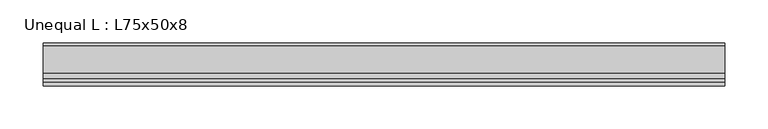
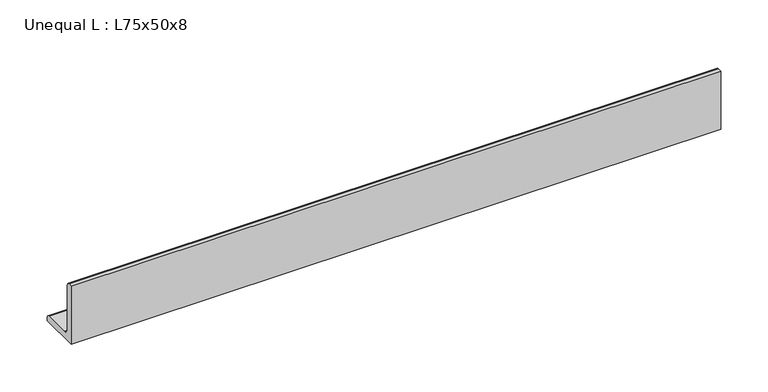
"""IFC4 building model written with IfcOpenShell, lengths in millimetres: beam geometry, Unequal L : L75x50x8."""

from ifc_helpers import new_model, si_unit, point, frame, frame_2d, origin, place, context, project, spatial, polyline, circle_curve, trimmed, segment, composite_curve, outline, extrude, source, transform, mapped, element, save


def unequal_l_l75x50x8_9cb91682(model_context):
    return source(origin(), model_context, "Body", "SweptSolid", [
        extrude(outline(composite_curve([segment(polyline([(-12.9, -25.2), (-12.9, 49.8), (-8.4, 49.8)]), True, "CONTINUOUS"), segment(trimmed(circle_curve(frame_2d((-8.4, 46.3)), 3.5), [point((-8.4, 49.8))], [point((-4.9, 46.3))], False, "CARTESIAN"), True, "CONTINUOUS"), segment(polyline([(-4.9, 46.3), (-4.9, -10.2)]), True, "CONTINUOUS"), segment(trimmed(circle_curve(frame_2d((2.1, -10.2)), 7.0), [point((-4.9, -10.2))], [point((2.1, -17.2))], True, "CARTESIAN"), True, "CONTINUOUS"), segment(polyline([(2.1, -17.2), (33.6, -17.2)]), True, "CONTINUOUS"), segment(trimmed(circle_curve(frame_2d((33.6, -20.7)), 3.5), [point((33.6, -17.2))], [point((37.1, -20.7))], False, "CARTESIAN"), True, "CONTINUOUS"), segment(polyline([(37.1, -20.7), (37.1, -25.2), (-12.9, -25.2)]), True, "CONTINUOUS")], self_intersect=False)), frame((-394.9999695, 0.0, 0.0), z_axis=(1.0, 0.0, 0.0), x_axis=(0.0, 1.0, 0.0)), (0.0, 0.0, 1.0), 789.9999837),
    ])


if __name__ == "__main__":
    model = new_model("IFC4")
    model_context = context("Model", 3, world=origin())
    ifc_project = project(units=[si_unit("LENGTHUNIT", "METRE", prefix="MILLI")], contexts=[model_context])
    site = spatial("IfcSite", under=ifc_project)
    building = spatial("IfcBuilding", under=site)
    placement = place(None, origin())
    unequal_l_l75x50x8_shape = unequal_l_l75x50x8_9cb91682(model_context)
    element("IfcBeam", 1, ObjectType="Unequal L : L75x50x8", at=placement, inside=building, context=model_context, shape_type="MappedRepresentation", body=[
        mapped(unequal_l_l75x50x8_shape, transform((0.0, 0.0, 0.0), x_axis=(1.0, 0.0, 0.0), y_axis=(0.0, 1.0, 0.0), z_axis=(0.0, 0.0, 1.0))),
    ])
    save(model, "model.ifc")
